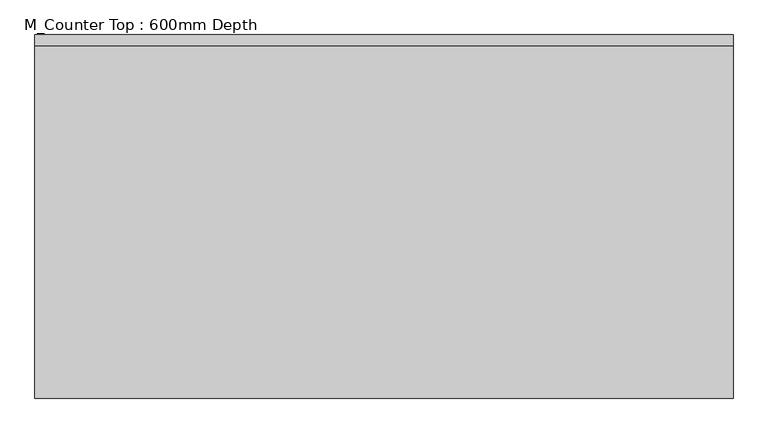
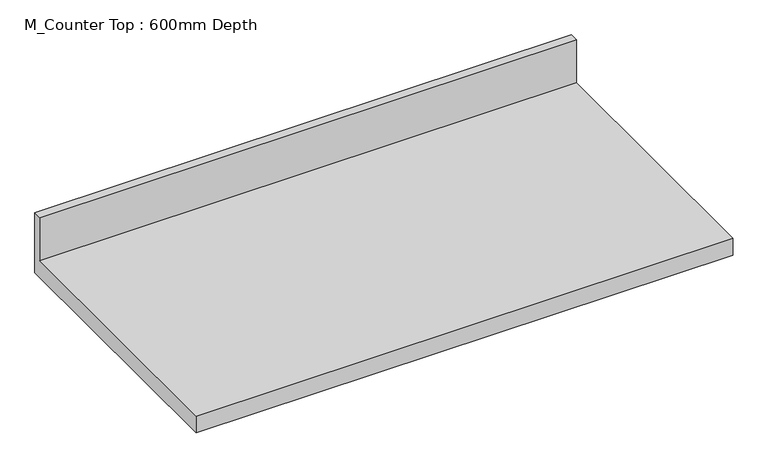
"""IFC4 building model written with IfcOpenShell, lengths in millimetres: furniture geometry, M_Counter Top : 600mm Depth."""

from ifc_helpers import new_model, si_unit, frame, origin, place, context, project, spatial, polyline, outline, extrude, source, transform, mapped, element, save


def m_counter_top_600mm_depth_c9aeab2f(model_context):
    return source(origin(), model_context, "Body", "SweptSolid", [
        extrude(outline(polyline([(0.0, 1001.6), (0.0, 860.0), (-625.0, 860.0), (-625.0, 900.0), (-19.05, 900.0), (-19.05, 1001.6), (0.0, 1001.6)])), frame((-1200.4622951, 0.0, 0.0), z_axis=(1.0, 0.0, 0.0), x_axis=(0.0, 1.0, 0.0)), (0.0, 0.0, 1.0), 1200.0),
    ])


if __name__ == "__main__":
    model = new_model("IFC4")
    model_context = context("Model", 3, world=origin())
    ifc_project = project(units=[si_unit("LENGTHUNIT", "METRE", prefix="MILLI")], contexts=[model_context])
    site = spatial("IfcSite", under=ifc_project)
    building = spatial("IfcBuilding", under=site)
    placement = place(None, origin())
    m_counter_top_600mm_depth_shape = m_counter_top_600mm_depth_c9aeab2f(model_context)
    element("IfcFurniture", 1, ObjectType="M_Counter Top : 600mm Depth", at=placement, inside=building, context=model_context, shape_type="MappedRepresentation", body=[
        mapped(m_counter_top_600mm_depth_shape, transform((0.0, 0.0, 0.0), x_axis=(1.0, 0.0, 0.0), y_axis=(0.0, 1.0, 0.0), z_axis=(0.0, 0.0, 1.0))),
    ])
    save(model, "model.ifc")
